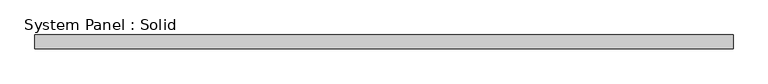
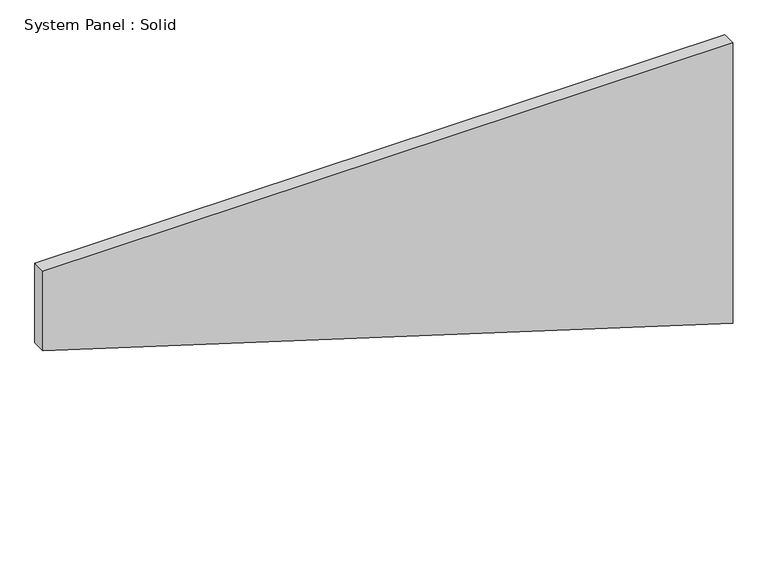
"""IFC4 building model written with IfcOpenShell, lengths in millimetres: plate geometry, System Panel : Solid."""

from ifc_helpers import new_model, si_unit, frame, origin, place, context, project, spatial, polyline, outline, extrude, source, transform, mapped, element, save


def system_panel_solid_bc8ba7d7(model_context):
    return source(origin(), model_context, "Body", "SweptSolid", [
        extrude(outline(polyline([(923.4646628, -1500.0), (0.0, 1500.0), (1287.6224021, 1500.0), (1287.6224021, -1500.0), (923.4646628, -1500.0)])), frame((0.0, -10.5, 0.0), z_axis=(0.0, 1.0, 0.0), x_axis=(0.0, 0.0, 1.0)), (0.0, 0.0, 1.0), 60.0),
    ])


if __name__ == "__main__":
    model = new_model("IFC4")
    model_context = context("Model", 3, world=origin())
    ifc_project = project(units=[si_unit("LENGTHUNIT", "METRE", prefix="MILLI")], contexts=[model_context])
    site = spatial("IfcSite", under=ifc_project)
    building = spatial("IfcBuilding", under=site)
    placement = place(None, origin())
    system_panel_solid_shape = system_panel_solid_bc8ba7d7(model_context)
    element("IfcPlate", 1, ObjectType="System Panel : Solid", at=placement, inside=building, context=model_context, shape_type="MappedRepresentation", body=[
        mapped(system_panel_solid_shape, transform((0.0, 0.0, 0.0), x_axis=(1.0, 0.0, 0.0), y_axis=(0.0, 1.0, 0.0), z_axis=(0.0, 0.0, 1.0))),
    ])
    save(model, "model.ifc")
